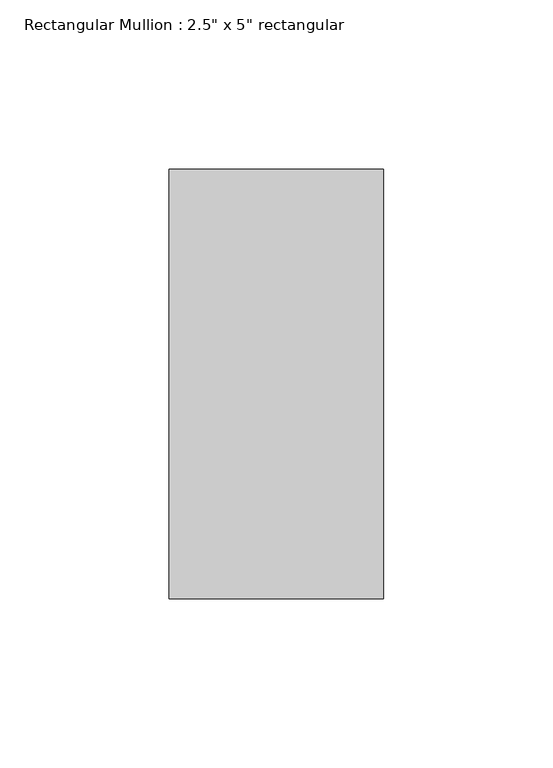
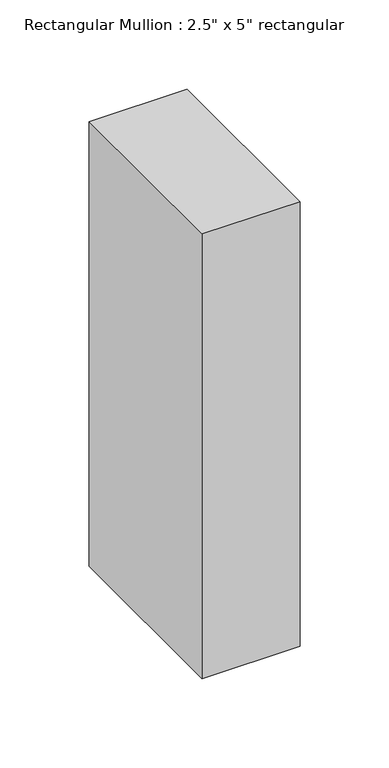
"""IFC4 building model written with IfcOpenShell, lengths in millimetres: member geometry."""

from ifc_helpers import new_model, si_unit, frame, origin, place, context, project, spatial, polyline, outline, extrude, source, transform, mapped, element, save


def member_75d1e245(model_context):
    return source(origin(), model_context, "Body", "SweptSolid", [
        extrude(outline(polyline([(31.75, 63.5), (31.75, -63.5), (-31.75, -63.5), (-31.75, 63.5), (31.75, 63.5)])), frame((0.0, 0.0, -304.8), z_axis=(0.0, 0.0, 1.0), x_axis=(1.0, 0.0, 0.0)), (0.0, 0.0, 1.0), 304.8),
    ])


if __name__ == "__main__":
    model = new_model("IFC4")
    model_context = context("Model", 3, world=origin())
    ifc_project = project(units=[si_unit("LENGTHUNIT", "METRE", prefix="MILLI")], contexts=[model_context])
    site = spatial("IfcSite", under=ifc_project)
    building = spatial("IfcBuilding", under=site)
    placement = place(None, origin())
    member_shape = member_75d1e245(model_context)
    element("IfcMember", 1, ObjectType="Rectangular Mullion : 2.5\" x 5\" rectangular", at=placement, inside=building, context=model_context, shape_type="MappedRepresentation", body=[
        mapped(member_shape, transform((0.0, 0.0, 0.0), x_axis=(1.0, 0.0, 0.0), y_axis=(0.0, 1.0, 0.0), z_axis=(0.0, 0.0, 1.0))),
    ])
    save(model, "model.ifc")
